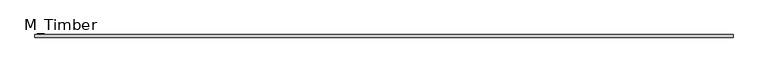
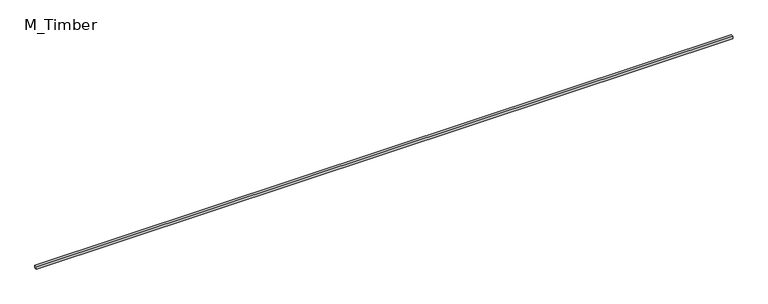
"""IFC4 building model written with IfcOpenShell, lengths in millimetres: beam geometry, M_Timber."""

from ifc_helpers import new_model, si_unit, frame, origin, place, context, project, spatial, polyline, outline, extrude, source, transform, mapped, element, save


def m_timber_f0d78820(model_context):
    return source(origin(), model_context, "Body", "SweptSolid", [
        extrude(outline(polyline([(5339.4537482, 20.0), (5339.4537482, -20.0), (-5339.4537482, -20.0), (-5339.4537482, 20.0), (5339.4537482, 20.0)])), frame((0.0, 0.0, -20.0), z_axis=(0.0, 0.0, 1.0), x_axis=(1.0, 0.0, 0.0)), (0.0, 0.0, 1.0), 40.0),
    ])


if __name__ == "__main__":
    model = new_model("IFC4")
    model_context = context("Model", 3, world=origin())
    ifc_project = project(units=[si_unit("LENGTHUNIT", "METRE", prefix="MILLI")], contexts=[model_context])
    site = spatial("IfcSite", under=ifc_project)
    building = spatial("IfcBuilding", under=site)
    placement = place(None, origin())
    m_timber_shape = m_timber_f0d78820(model_context)
    element("IfcBeam", 1, ObjectType="M_Timber", at=placement, inside=building, context=model_context, shape_type="MappedRepresentation", body=[
        mapped(m_timber_shape, transform((0.0, 0.0, 0.0), x_axis=(1.0, 0.0, 0.0), y_axis=(0.0, 1.0, 0.0), z_axis=(0.0, 0.0, 1.0))),
    ])
    save(model, "model.ifc")
